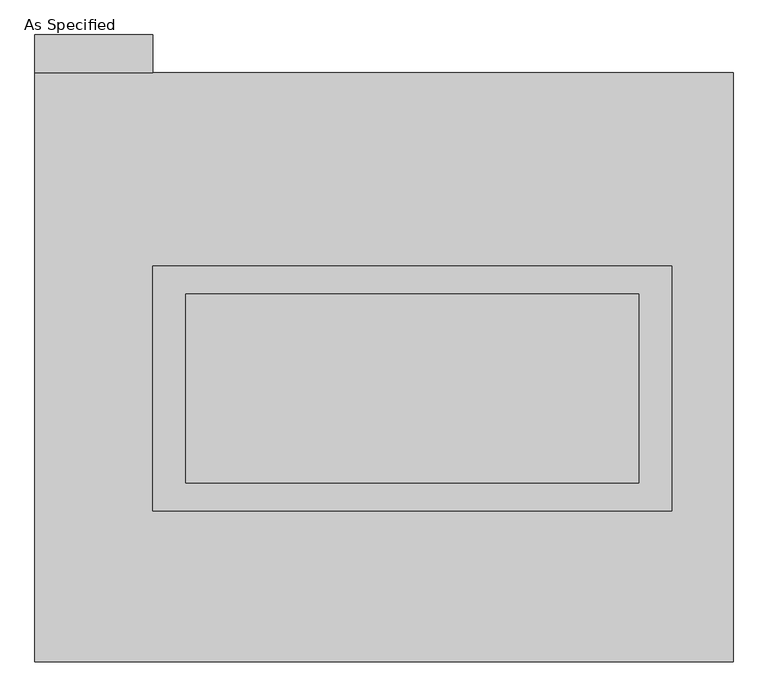
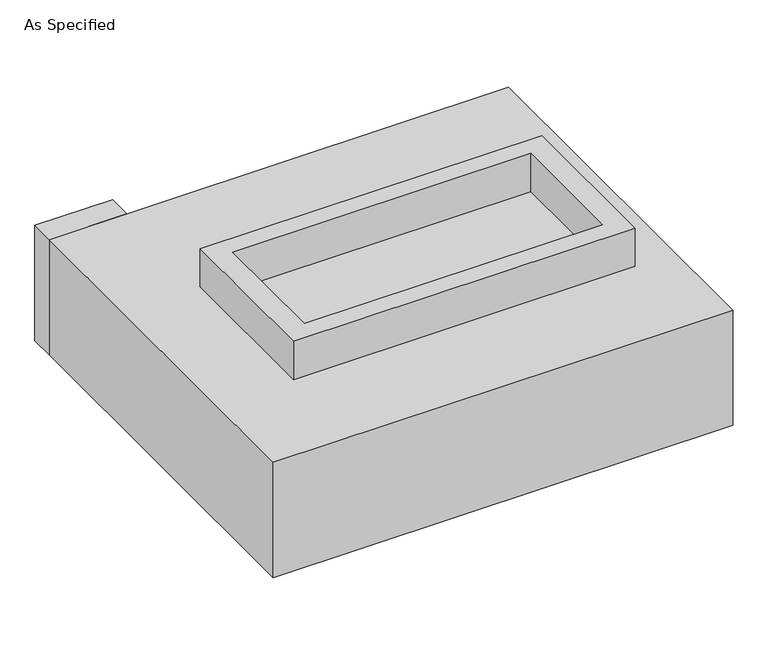
"""IFC4 building model written with IfcOpenShell, lengths in millimetres: proxy geometry, As Specified."""

import ifcopenshell
import ifcopenshell.guid

model = None  # the IFC model being written
_history = None  # IfcOwnerHistory: only IFC2X3 demands one
_inside = {}  # id of a spatial element -> (the spatial element, [elements in it])
_under = {}  # id of a project, library or spatial element -> (it, [spatial elements below it])
_declared = {}  # id of a project -> (the project, [libraries it declares])
_typed = {}  # id of a type object -> (the type object, [elements of that type])
_made_of = {}  # id of a material, layer set ... -> (it, [elements and type objects made of it])


def new_model(schema):
    """Start an empty IFC model of exactly this schema.

    Asked for "IFC4X3", IfcOpenShell would pick the latest addendum, in which some entities
    have other attributes; the version numbers below select the first issue.
    IFC2X3 requires an IfcOwnerHistory on every rooted entity: one is made here for all.
    """
    global model, _history
    if schema == "IFC4X3":
        model = ifcopenshell.file(schema_version=(4, 3, 0, 0))
    else:
        model = ifcopenshell.file(schema=schema)
    _inside.clear()
    _under.clear()
    _declared.clear()
    _typed.clear()
    _made_of.clear()
    _history = None
    if model.schema == "IFC2X3":
        org = make("IfcOrganization", Name="unknown")
        user = make(
            "IfcPersonAndOrganization",
            ThePerson=make("IfcPerson", FamilyName="unknown"),
            TheOrganization=org,
        )
        app = make(
            "IfcApplication",
            ApplicationDeveloper=org,
            Version="unknown",
            ApplicationFullName="unknown",
            ApplicationIdentifier="unknown",
        )
        _history = make(
            "IfcOwnerHistory",
            OwningUser=user,
            OwningApplication=app,
            ChangeAction="ADDED",
            CreationDate=0,
        )
    return model


def make(cls, **values):
    """One entity of the class cls with the attributes given. An attribute that is None is left unset."""
    return model.create_entity(
        cls, **{name: value for name, value in values.items() if value is not None}
    )


def rooted(cls, **values):
    """An entity with a GlobalId (a new one), such as an element, a storey or a relation."""
    return make(cls, GlobalId=ifcopenshell.guid.new(), OwnerHistory=_history, **values)


def si_unit(unit_type, name, prefix=None):
    """IfcSIUnit, for example si_unit("LENGTHUNIT", "METRE", prefix="MILLI")."""
    return make("IfcSIUnit", UnitType=unit_type, Prefix=prefix, Name=name)


def assignment(units):
    """IfcUnitAssignment: the units of a project."""
    return None if units is None else make("IfcUnitAssignment", Units=units)


def point(xyz):
    """IfcCartesianPoint."""
    return None if xyz is None else make("IfcCartesianPoint", Coordinates=xyz)


def direction(xyz):
    """IfcDirection."""
    return None if xyz is None else make("IfcDirection", DirectionRatios=xyz)


def frame(location, z_axis=None, x_axis=None):
    """IfcAxis2Placement3D, a coordinate frame: its origin and axes. An axis left out is left unset."""
    return make(
        "IfcAxis2Placement3D",
        Location=point(location),
        Axis=direction(z_axis),
        RefDirection=direction(x_axis),
    )


def origin():
    """The frame at (0, 0, 0) with its axes left unset."""
    return frame((0.0, 0.0, 0.0))


def place(relative_to, where):
    """IfcLocalPlacement: puts the frame where relative to a parent placement (None: the world)."""
    return make(
        "IfcLocalPlacement", PlacementRelTo=relative_to, RelativePlacement=where
    )


def context(
    kind, dimensions, precision=None, world=None, true_north=None, identifier=None
):
    """IfcGeometricRepresentationContext, for example the 3D "Model" context."""
    return make(
        "IfcGeometricRepresentationContext",
        ContextIdentifier=identifier,
        ContextType=kind,
        CoordinateSpaceDimension=dimensions,
        Precision=precision,
        WorldCoordinateSystem=world,
        TrueNorth=true_north,
    )


def project(units=None, contexts=None):
    """IfcProject with its units and contexts."""
    return rooted(
        "IfcProject",
        Name="project",
        RepresentationContexts=contexts,
        UnitsInContext=assignment(units),
    )


def spatial(cls, under=None, at=None, **own):
    """A site, building, storey or space (cls), placed at a placement, below another one or the project."""
    s = rooted(cls, ObjectPlacement=at, **own)
    if under is not None:
        _under.setdefault(under.id(), (under, []))[1].append(s)
    return s


def polyline(points):
    """IfcPolyline through the points."""
    return make("IfcPolyline", Points=[point(p) for p in points])


def outline(outer, holes=None, kind="AREA"):
    """IfcArbitraryClosedProfileDef: a profile drawn as a closed curve; with holes, ...WithVoids."""
    if holes is None:
        return make("IfcArbitraryClosedProfileDef", ProfileType=kind, OuterCurve=outer)
    return make(
        "IfcArbitraryProfileDefWithVoids",
        ProfileType=kind,
        OuterCurve=outer,
        InnerCurves=holes,
    )


def extrude(swept, where, along, depth):
    """IfcExtrudedAreaSolid: the profile swept, set in the frame where, extruded along a direction by depth."""
    return make(
        "IfcExtrudedAreaSolid",
        SweptArea=swept,
        Position=where,
        ExtrudedDirection=direction(along),
        Depth=depth,
    )


def shape(context_of_items, identifier, shape_type, items):
    """IfcShapeRepresentation: the items that make up one representation, for example the "Body"."""
    return make(
        "IfcShapeRepresentation",
        ContextOfItems=context_of_items,
        RepresentationIdentifier=identifier,
        RepresentationType=shape_type,
        Items=items,
    )


def source(mapping_origin, context_of_items, identifier, shape_type, items):
    """IfcRepresentationMap: a shape defined once, which mapped items show again and again."""
    return make(
        "IfcRepresentationMap",
        MappingOrigin=mapping_origin,
        MappedRepresentation=shape(context_of_items, identifier, shape_type, items),
    )


def transform(
    local_origin,
    x_axis=None,
    y_axis=None,
    z_axis=None,
    scale=None,
    scale2=None,
    scale3=None,
    uniform=True,
):
    """IfcCartesianTransformationOperator3D, or its non-uniform kind. x_axis, y_axis, z_axis: its Axis1, 2, 3."""
    if uniform:
        return make(
            "IfcCartesianTransformationOperator3D",
            Axis1=direction(x_axis),
            Axis2=direction(y_axis),
            LocalOrigin=point(local_origin),
            Scale=scale,
            Axis3=direction(z_axis),
        )
    return make(
        "IfcCartesianTransformationOperator3DnonUniform",
        Axis1=direction(x_axis),
        Axis2=direction(y_axis),
        LocalOrigin=point(local_origin),
        Scale=scale,
        Axis3=direction(z_axis),
        Scale2=scale2,
        Scale3=scale3,
    )


def mapped(mapping_source, mapping_target):
    """IfcMappedItem: shows the shape of a source again, moved by a transform."""
    return make(
        "IfcMappedItem", MappingSource=mapping_source, MappingTarget=mapping_target
    )


def made_of(thing, what):
    """Note that an element or type object is made of a material, layer set ...; save() writes the relation."""
    if what is not None:
        _made_of.setdefault(what.id(), (what, []))[1].append(thing)
    return thing


def element(
    cls,
    number,
    at=None,
    inside=None,
    cuts=None,
    type_object=None,
    material=None,
    context=None,
    identifier="Body",
    shape_type=None,
    held_by="IfcProductDefinitionShape",
    body=None,
    shapes=None,
    **own,
):
    """One element of the class cls, such as IfcWall. Its Tag is "e" and its number.

    at: its placement. inside: the storey or other place that contains it. cuts: it is an
    opening in that element (IfcRelVoidsElement). A single representation is given by context,
    identifier, shape_type and body (its items); several are given by shapes. held_by: the class
    of the entity that holds the representations. save() writes the other relations.
    """
    e = rooted(cls, Tag="e%d" % number, ObjectPlacement=at, **own)
    if body is not None:
        shapes = [shape(context, identifier, shape_type, body)]
    if shapes is not None:
        e.Representation = make(held_by, Representations=shapes)
    if inside is not None:
        _inside.setdefault(inside.id(), (inside, []))[1].append(e)
    if cuts is not None:
        rooted(
            "IfcRelVoidsElement", RelatingBuildingElement=cuts, RelatedOpeningElement=e
        )
    if type_object is not None:
        _typed.setdefault(type_object.id(), (type_object, []))[1].append(e)
    return made_of(e, material)


def aggregate(whole, parts):
    """IfcRelAggregates: a whole, such as a stair, and the parts it consists of."""
    return rooted("IfcRelAggregates", RelatingObject=whole, RelatedObjects=parts)


def save(model, path):
    """Write the relations noted so far, then the file.

    IfcRelAggregates (storeys below a building ...), IfcRelContainedInSpatialStructure (elements
    in a storey), IfcRelDefinesByType, IfcRelAssociatesMaterial and IfcRelDeclares: one each for
    every whole, place, type object, material and project.
    """
    for whole, parts in _under.values():
        aggregate(whole, parts)
    for where, things in _inside.values():
        rooted(
            "IfcRelContainedInSpatialStructure",
            RelatedElements=things,
            RelatingStructure=where,
        )
    for kind, things in _typed.values():
        rooted("IfcRelDefinesByType", RelatedObjects=things, RelatingType=kind)
    for what, things in _made_of.values():
        rooted("IfcRelAssociatesMaterial", RelatedObjects=things, RelatingMaterial=what)
    for by, libraries in _declared.values():
        rooted("IfcRelDeclares", RelatingContext=by, RelatedDefinitions=libraries)
    model.write(path)


def as_specified_b3f3418c(model_context):
    return source(origin(), model_context, "Body", "SweptSolid", [
        extrude(outline(polyline([(698.5, 273.05), (698.5, -387.35), (-698.5, -387.35), (-698.5, 273.05), (698.5, 273.05)]), holes=[polyline([(609.6, 196.85), (-609.6, 196.85), (-609.6, -311.15), (609.6, -311.15), (609.6, 196.85)])]), frame((0.0, 0.0, -688.975), z_axis=(0.0, 0.0, 1.0), x_axis=(1.0, 0.0, 0.0)), (0.0, 0.0, 1.0), 165.1),
        extrude(outline(polyline([(698.5, 273.05), (698.5, -387.35), (-698.5, -387.35), (-698.5, 273.05), (698.5, 273.05)]), holes=[polyline([(609.6, 196.85), (-609.6, 196.85), (-609.6, -311.15), (609.6, -311.15), (609.6, 196.85)])]), frame((0.0, 0.0, -25.4), z_axis=(0.0, 0.0, 1.0), x_axis=(1.0, 0.0, 0.0)), (0.0, 0.0, 1.0), 165.1),
        extrude(outline(polyline([(-698.5, 793.75), (-1016.0, 793.75), (-1016.0, 895.35), (-698.5, 895.35), (-698.5, 793.75)])), frame((0.0, 0.0, -523.875), z_axis=(0.0, 0.0, 1.0), x_axis=(1.0, 0.0, 0.0)), (0.0, 0.0, 1.0), 498.475),
        extrude(outline(polyline([(609.6, 196.85), (609.6, -311.15), (-609.6, -311.15), (-609.6, 196.85), (609.6, 196.85)])), frame((0.0, 0.0, -523.875), z_axis=(0.0, 0.0, 1.0), x_axis=(1.0, 0.0, 0.0)), (0.0, 0.0, 1.0), 4.9609375),
        extrude(outline(polyline([(609.6, 196.85), (609.6, -311.15), (-609.6, -311.15), (-609.6, 196.85), (609.6, 196.85)])), frame((0.0, 0.0, -30.3609375), z_axis=(0.0, 0.0, 1.0), x_axis=(1.0, 0.0, 0.0)), (0.0, 0.0, 1.0), 4.9609375),
        extrude(outline(polyline([(863.6, -793.75), (-1016.0, -793.75), (-1016.0, 793.75), (863.6, 793.75), (863.6, -793.75)]), holes=[polyline([(-698.5, 273.05), (-698.5, -387.35), (698.5, -387.35), (698.5, 273.05), (-698.5, 273.05)])]), frame((0.0, 0.0, -523.875), z_axis=(0.0, 0.0, 1.0), x_axis=(1.0, 0.0, 0.0)), (0.0, 0.0, 1.0), 498.475),
    ])


if __name__ == "__main__":
    model = new_model("IFC4")
    model_context = context("Model", 3, world=origin())
    ifc_project = project(units=[si_unit("LENGTHUNIT", "METRE", prefix="MILLI")], contexts=[model_context])
    site = spatial("IfcSite", under=ifc_project)
    building = spatial("IfcBuilding", under=site)
    placement = place(None, origin())
    as_specified_shape = as_specified_b3f3418c(model_context)
    element("IfcBuildingElementProxy", 1, Name="As Specified", ObjectType="As Specified", at=placement, inside=building, context=model_context, shape_type="MappedRepresentation", body=[
        mapped(as_specified_shape, transform((0.0, 0.0, 0.0), x_axis=(1.0, 0.0, 0.0), y_axis=(0.0, 1.0, 0.0), z_axis=(0.0, 0.0, 1.0))),
    ])
    save(model, "model.ifc")
